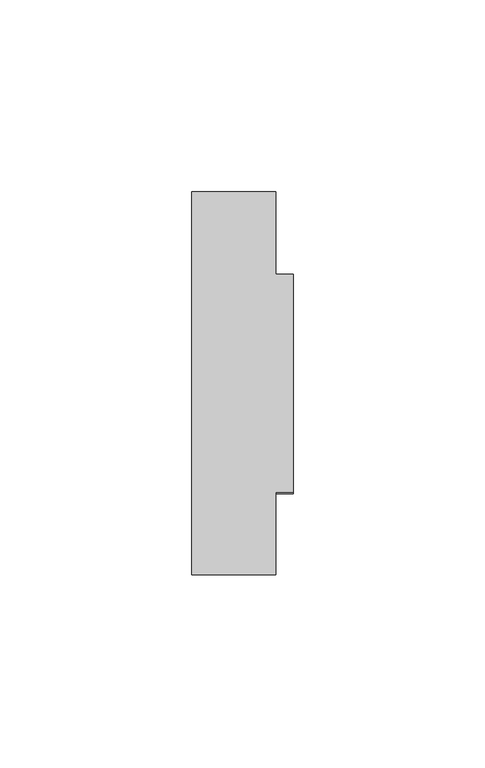
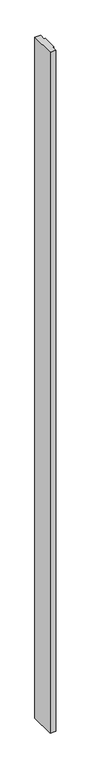
"""IFC4 building model written with IfcOpenShell, lengths in millimetres: furniture geometry."""

from ifc_helpers import new_model, si_unit, origin, place, context, project, spatial, faceted_brep, source, transform, mapped, element, save


def furniture_7f2765d0(model_context):
    return source(origin(), model_context, "Body", "Brep", [
        faceted_brep([(0.0, -2006.854, 55.118), (0.0, -2006.854, 2688.082), (0.0, -2003.552, 2688.082), (0.0, -2003.552, 2743.2), (0.0, -2060.448, 2743.2), (0.0, -2060.448, 2688.082), (0.0, -2057.146, 2688.082), (0.0, -2057.146, 55.118), (0.0, -2060.448, 55.118), (0.0, -2060.448, 0.0), (0.0, -2003.552, 0.0), (0.0, -2003.552, 55.118), (-4.4958, -2006.854, 55.118), (-4.4958, -2006.854, 2688.082), (-4.4958, -2003.552, 2688.082), (-4.4958, -2003.552, 2743.2), (-4.4958, -1982.0001, 2743.2), (-26.4922, -1982.0001, 2743.2), (-26.4922, -2081.9999, 2743.2), (-4.4958, -2081.9999, 2743.2), (-4.4958, -2060.448, 2743.2), (-4.4958, -2060.448, 2688.082), (-4.4958, -2057.146, 2688.082), (-4.4958, -2057.146, 55.118), (-4.4958, -2060.448, 55.118), (-4.4958, -2060.448, 0.0), (-4.4958, -2081.9999, 0.0), (-26.4922, -2081.9999, 0.0), (-26.4922, -1982.0001, 0.0), (-4.4958, -1982.0001, 0.0), (-4.4958, -2003.552, 0.0), (-4.4958, -2003.552, 55.118)], [[[0, 1, 2, 3, 4, 5, 6, 7, 8, 9, 10, 11]], [[1, 0, 12, 13]], [[2, 1, 13, 14]], [[3, 2, 14, 15]], [[4, 3, 15, 16, 17, 18, 19, 20]], [[5, 4, 20, 21]], [[6, 5, 21, 22]], [[7, 6, 22, 23]], [[8, 7, 23, 24]], [[9, 8, 24, 25]], [[10, 9, 25, 26, 27, 28, 29, 30]], [[11, 10, 30, 31]], [[0, 11, 31, 12]], [[18, 17, 28, 27]], [[19, 18, 27, 26]], [[19, 26, 25, 24, 23, 22, 21, 20]], [[29, 16, 15, 14, 13, 12, 31, 30]], [[17, 16, 29, 28]]]),
    ])


if __name__ == "__main__":
    model = new_model("IFC4")
    model_context = context("Model", 3, world=origin())
    ifc_project = project(units=[si_unit("LENGTHUNIT", "METRE", prefix="MILLI")], contexts=[model_context])
    site = spatial("IfcSite", under=ifc_project)
    building = spatial("IfcBuilding", under=site)
    placement = place(None, origin())
    furniture_shape = furniture_7f2765d0(model_context)
    element("IfcFurniture", 1, at=placement, inside=building, context=model_context, shape_type="MappedRepresentation", body=[
        mapped(furniture_shape, transform((0.0, 0.0, 0.0), x_axis=(1.0, 0.0, 0.0), y_axis=(0.0, 1.0, 0.0), z_axis=(0.0, 0.0, 1.0))),
    ])
    save(model, "model.ifc")
